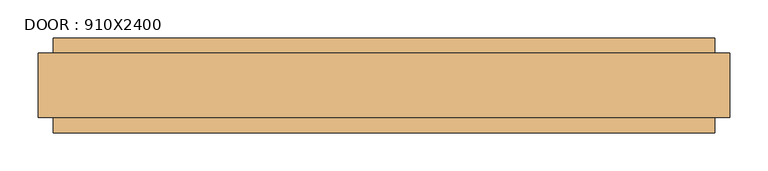
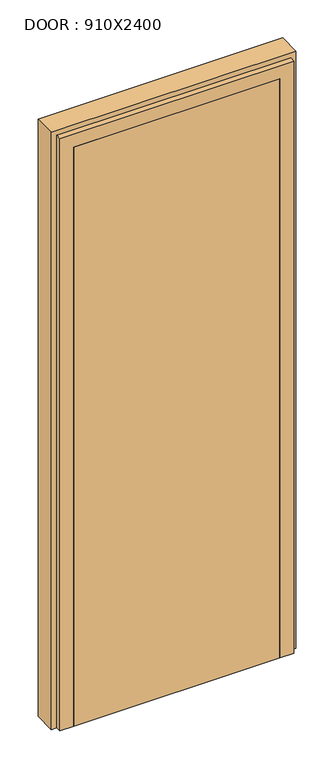
"""IFC4 building model written with IfcOpenShell, lengths in millimetres: door geometry, DOOR : 910X2400."""

from ifc_helpers import new_model, si_unit, frame, origin, place, context, project, spatial, polyline, outline, extrude, faceted_brep, source, transform, mapped, element, save


def door_910x2400_5abc26e4(model_context):
    return source(origin(), model_context, "Body", "SolidModel", [
        faceted_brep([(298.0, -75.0, 50.0), (298.0, -30.0, 50.0), (285.0, -30.0, 50.0), (285.0, 50.0, 50.0), (350.0, 50.0, 50.0), (350.0, 30.0, 50.0), (370.0, 30.0, 50.0), (370.0, -55.0, 50.0), (350.0, -55.0, 50.0), (350.0, -75.0, 50.0), (298.0, -75.0, 2328.0), (298.0, -30.0, 2328.0), (-468.0, -30.0, 2328.0), (-468.0, -30.0, 50.0), (-455.0, -30.0, 50.0), (-455.0, -30.0, 2315.0), (285.0, -30.0, 2315.0), (285.0, 50.0, 2315.0), (-455.0, 50.0, 2315.0), (-455.0, 50.0, 50.0), (-520.0, 50.0, 50.0), (-520.0, 50.0, 2380.0), (350.0, 50.0, 2380.0), (350.0, 30.0, 2380.0), (-520.0, 30.0, 2380.0), (-520.0, 30.0, 50.0), (-540.0, 30.0, 50.0), (-540.0, 30.0, 2400.0), (370.0, 30.0, 2400.0), (370.0, -55.0, 2400.0), (-540.0, -55.0, 2400.0), (-540.0, -55.0, 50.0), (-520.0, -55.0, 50.0), (-520.0, -55.0, 2380.0), (350.0, -55.0, 2380.0), (350.0, -75.0, 2380.0), (-520.0, -75.0, 2380.0), (-520.0, -75.0, 50.0), (-468.0, -75.0, 50.0), (-468.0, -75.0, 2328.0)], [[[0, 1, 2, 3, 4, 5, 6, 7, 8, 9]], [[1, 0, 10, 11]], [[2, 1, 11, 12, 13, 14, 15, 16]], [[3, 2, 16, 17]], [[4, 3, 17, 18, 19, 20, 21, 22]], [[5, 4, 22, 23]], [[6, 5, 23, 24, 25, 26, 27, 28]], [[7, 6, 28, 29]], [[8, 7, 29, 30, 31, 32, 33, 34]], [[9, 8, 34, 35]], [[0, 9, 35, 36, 37, 38, 39, 10]], [[12, 39, 38, 13]], [[38, 37, 32, 31, 26, 25, 20, 19, 14, 13]], [[18, 15, 14, 19]], [[24, 21, 20, 25]], [[30, 27, 26, 31]], [[36, 33, 32, 37]], [[11, 10, 39, 12]], [[17, 16, 15, 18]], [[23, 22, 21, 24]], [[29, 28, 27, 30]], [[35, 34, 33, 36]]]),
        extrude(outline(polyline([(298.0, -75.0), (-468.0, -75.0), (-468.0, -30.0), (298.0, -30.0), (298.0, -75.0)])), frame((0.0, 0.0, 50.0), z_axis=(0.0, 0.0, 1.0), x_axis=(1.0, 0.0, 0.0)), (0.0, 0.0, 1.0), 2278.0),
    ])


if __name__ == "__main__":
    model = new_model("IFC4")
    model_context = context("Model", 3, world=origin())
    ifc_project = project(units=[si_unit("LENGTHUNIT", "METRE", prefix="MILLI")], contexts=[model_context])
    site = spatial("IfcSite", under=ifc_project)
    building = spatial("IfcBuilding", under=site)
    placement = place(None, origin())
    door_910x2400_shape = door_910x2400_5abc26e4(model_context)
    element("IfcDoor", 1, ObjectType="DOOR : 910X2400", at=placement, inside=building, context=model_context, shape_type="MappedRepresentation", body=[
        mapped(door_910x2400_shape, transform((0.0, 0.0, 0.0), x_axis=(1.0, 0.0, 0.0), y_axis=(0.0, 1.0, 0.0), z_axis=(0.0, 0.0, 1.0))),
    ])
    save(model, "model.ifc")
